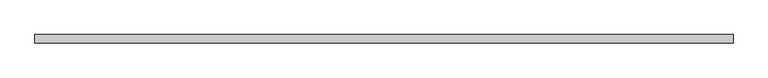
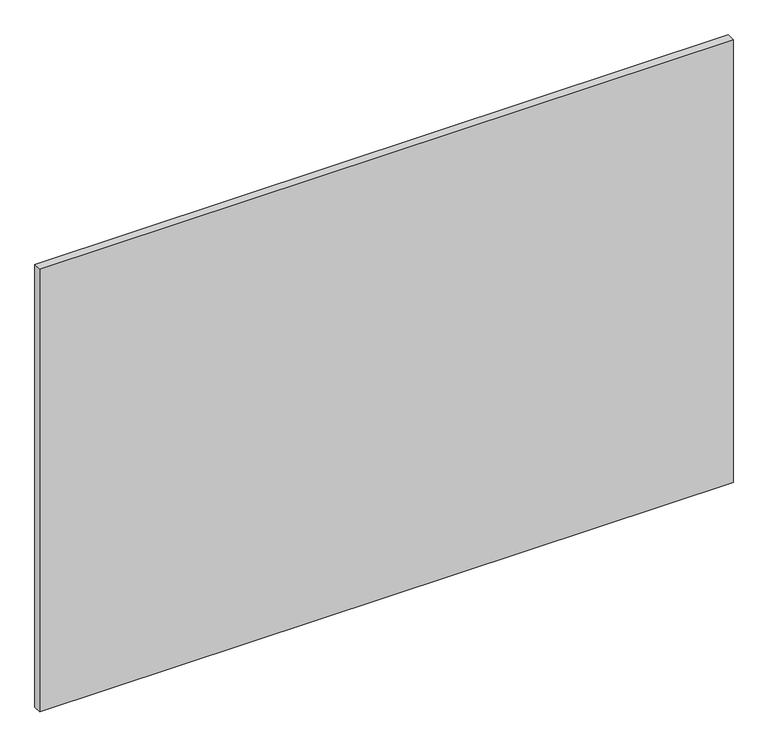
"""IFC4 building model written with IfcOpenShell, lengths in millimetres: plate geometry."""

from ifc_helpers import new_model, si_unit, origin, origin_with_axes, place, context, project, spatial, polyline, outline, extrude, source, transform, mapped, element, save


def plate_7f783953(model_context):
    return source(origin(), model_context, "Body", "SweptSolid", [
        extrude(outline(polyline([(616.6, 7.25), (616.6, -7.25), (-616.6, -7.25), (-616.6, 7.25), (616.6, 7.25)])), origin_with_axes(), (0.0, 0.0, 1.0), 833.3),
    ])


if __name__ == "__main__":
    model = new_model("IFC4")
    model_context = context("Model", 3, world=origin())
    ifc_project = project(units=[si_unit("LENGTHUNIT", "METRE", prefix="MILLI")], contexts=[model_context])
    site = spatial("IfcSite", under=ifc_project)
    building = spatial("IfcBuilding", under=site)
    placement = place(None, origin())
    plate_shape = plate_7f783953(model_context)
    element("IfcPlate", 1, at=placement, inside=building, context=model_context, shape_type="MappedRepresentation", body=[
        mapped(plate_shape, transform((0.0, 0.0, 0.0), x_axis=(1.0, 0.0, 0.0), y_axis=(0.0, 1.0, 0.0), z_axis=(0.0, 0.0, 1.0))),
    ])
    save(model, "model.ifc")
